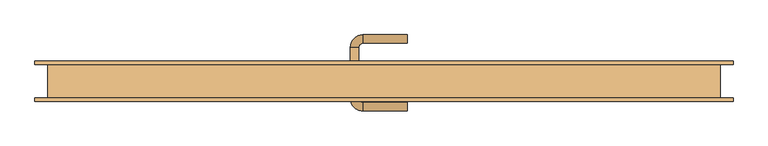
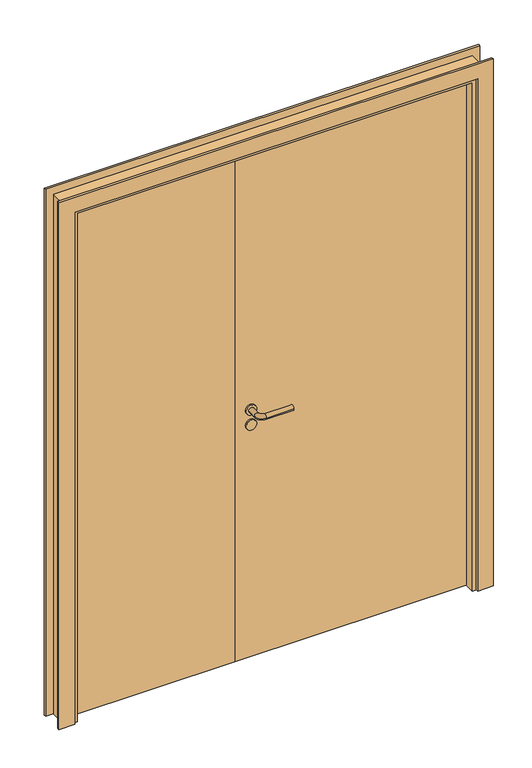
"""IFC4 building model written with IfcOpenShell, lengths in millimetres: door geometry."""

from ifc_helpers import new_model, si_unit, point, frame, frame_2d, origin, origin_with_axes, place, context, project, spatial, polyline, circle_curve, ellipse_curve, trimmed, segment, composite_curve, outline, extrude, faceted_brep, source, transform, mapped, element, save
from ifc_brep_helpers import plane_surface, cylinder_surface, revolved_surface, advanced_brep


def door_9487849b(model_context):
    return source(origin(), model_context, "Body", "SolidModel", [
        advanced_brep(
        [(-90.0, -6.5831809, 1000.0), (-50.0, -6.5831809, 1000.0), (-80.0, -6.5831809, 1000.0), (-60.0, -6.5831809, 1000.0), (-90.0, 0.0, 1000.0), (-50.0, 0.0, 1000.0), (55.0, -70.6350833, 1000.0), (55.0, -50.6350833, 1000.0), (-80.0, -40.6350833, 1000.0), (-60.0, -40.6350833, 1000.0), (-50.0, -70.6350833, 1000.0), (-50.0, -50.6350833, 1000.0)],
        [
            (0, 1, circle_curve(frame((-70.0, -6.5831809, 1000.0), z_axis=(0.0, -1.0, 0.0), x_axis=(1.0, 0.0, 0.0)), 20.0)),
            (1, 0, circle_curve(frame((-70.0, -6.5831809, 1000.0), z_axis=(0.0, -1.0, 0.0), x_axis=(1.0, 0.0, 0.0)), 20.0)),
            (2, 3, circle_curve(frame((-70.0, -6.5831809, 1000.0), z_axis=(0.0, 1.0, 0.0), x_axis=(1.0, 0.0, 0.0)), 10.0)),
            (3, 2, circle_curve(frame((-70.0, -6.5831809, 1000.0), z_axis=(0.0, 1.0, 0.0), x_axis=(1.0, 0.0, 0.0)), 10.0)),
            (4, 5, circle_curve(frame((-70.0, 0.0, 1000.0), z_axis=(0.0, 1.0, 0.0), x_axis=(1.0, 0.0, 0.0)), 20.0)),
            (5, 4, circle_curve(frame((-70.0, 0.0, 1000.0), z_axis=(0.0, 1.0, 0.0), x_axis=(1.0, 0.0, 0.0)), 20.0)),
            (0, 4),
            (5, 1),
            (6, 7, circle_curve(frame((55.0, -60.6350833, 1000.0), z_axis=(1.0, 0.0, 0.0), x_axis=(0.0, 1.0, 0.0)), 10.0)),
            (7, 6, circle_curve(frame((55.0, -60.6350833, 1000.0), z_axis=(1.0, 0.0, 0.0), x_axis=(0.0, 1.0, 0.0)), 10.0)),
            (8, 9, circle_curve(frame((-70.0, -40.6350833, 1000.0), z_axis=(0.0, 1.0, 0.0), x_axis=(1.0, 0.0, 0.0)), 10.0)),
            (9, 3),
            (2, 8),
            (9, 8, circle_curve(frame((-70.0, -40.6350833, 1000.0), z_axis=(0.0, 1.0, 0.0), x_axis=(1.0, 0.0, 0.0)), 10.0)),
            (8, 10, circle_curve(frame((-50.0, -40.6350833, 1000.0), z_axis=(0.0, 0.0, 1.0), x_axis=(-1.0, 0.0, 0.0)), 30.0)),
            (10, 11, circle_curve(frame((-50.0, -60.6350833, 1000.0), z_axis=(-1.0, 0.0, 0.0), x_axis=(0.0, 1.0, 0.0)), 10.0)),
            (11, 9, circle_curve(frame((-50.0, -40.6350833, 1000.0), z_axis=(0.0, 0.0, -1.0), x_axis=(-1.0, 0.0, 0.0)), 10.0)),
            (11, 10, circle_curve(frame((-50.0, -60.6350833, 1000.0), z_axis=(-1.0, 0.0, 0.0), x_axis=(0.0, 1.0, 0.0)), 10.0)),
            (7, 11),
            (10, 6),
        ],
        [
            plane_surface(frame((-50.0, -6.5831809, 1000.0), z_axis=(0.0, -1.0, 0.0), x_axis=(0.0, 0.0, 1.0))),
            plane_surface(frame((-50.0, 0.0, 1000.0), z_axis=(0.0, 1.0, 0.0), x_axis=(0.0, 0.0, -1.0))),
            cylinder_surface(frame((-70.0, 0.0, 1000.0), z_axis=(0.0, -1.0, 0.0), x_axis=(1.0, 0.0, 0.0)), 20.0),
            plane_surface(frame((55.0, -60.6350833, 1000.0), z_axis=(1.0, 0.0, 0.0), x_axis=(0.0, 0.0, -1.0))),
            cylinder_surface(frame((-70.0, 0.0, 1000.0), z_axis=(0.0, 1.0, 0.0), x_axis=(1.0, 0.0, 0.0)), 10.0),
            revolved_surface(trimmed(ellipse_curve(frame((-70.0, -40.6350833, 1000.0), z_axis=(0.0, 1.0, 0.0), x_axis=(1.0, 0.0, 0.0)), 10.0, 10.0), [point((-80.0, -40.6350833, 1000.0))], [point((-60.0, -40.6350833, 1000.0))], True, "CARTESIAN"), (-50.0, -40.6350833, 1000.0), (0.0, 0.0, 1.0)),
            revolved_surface(trimmed(ellipse_curve(frame((-70.0, -40.6350833, 1000.0), z_axis=(0.0, 1.0, 0.0), x_axis=(1.0, 0.0, 0.0)), 10.0, 10.0), [point((-60.0, -40.6350833, 1000.0))], [point((-80.0, -40.6350833, 1000.0))], True, "CARTESIAN"), (-50.0, -40.6350833, 1000.0), (0.0, 0.0, 1.0)),
            cylinder_surface(frame((-50.0, -60.6350833, 1000.0), z_axis=(-1.0, 0.0, 0.0), x_axis=(0.0, 1.0, 0.0)), 10.0),
        ],
        [
            (0, [[1, 2], [3, 4]]),
            (1, [[5, 6]]),
            (2, [[-1, 7, -6, 8]]),
            (2, [[-2, -8, -5, -7]]),
            (3, [[9, 10]]),
            (4, [[11, 12, -3, 13]]),
            (4, [[14, -13, -4, -12]]),
            (5, [[-11, 15, 16, 17]]),
            (6, [[-14, -17, 18, -15]]),
            (7, [[-10, 19, -16, 20]]),
            (7, [[-9, -20, -18, -19]]),
        ],
    ),
        extrude(outline(composite_curve([segment(trimmed(circle_curve(frame_2d((940.0, -70.0)), 20.0), [point((940.0, -90.0))], [point((940.0, -50.0))], False, "CARTESIAN"), True, "CONTINUOUS"), segment(trimmed(circle_curve(frame_2d((940.0, -70.0)), 20.0), [point((940.0, -50.0))], [point((940.0, -90.0))], False, "CARTESIAN"), True, "CONTINUOUS")], self_intersect=False)), frame((0.0, -6.5831809, 0.0), z_axis=(0.0, 1.0, 0.0), x_axis=(0.0, 0.0, 1.0)), (0.0, 0.0, 1.0), 6.5831809),
        advanced_brep(
        [(-90.0, 46.5831809, 1000.0), (-50.0, 46.5831809, 1000.0), (-80.0, 46.5831809, 1000.0), (-60.0, 46.5831809, 1000.0), (-90.0, 40.0, 1000.0), (-50.0, 40.0, 1000.0), (55.0, 110.6350833, 1000.0), (55.0, 90.6350833, 1000.0), (-80.0, 80.6350833, 1000.0), (-60.0, 80.6350833, 1000.0), (-50.0, 90.6350833, 1000.0), (-50.0, 110.6350833, 1000.0)],
        [
            (0, 1, circle_curve(frame((-70.0, 46.5831809, 1000.0), z_axis=(0.0, 1.0, 0.0), x_axis=(1.0, 0.0, 0.0)), 20.0)),
            (1, 0, circle_curve(frame((-70.0, 46.5831809, 1000.0), z_axis=(0.0, 1.0, 0.0), x_axis=(1.0, 0.0, 0.0)), 20.0)),
            (2, 3, circle_curve(frame((-70.0, 46.5831809, 1000.0), z_axis=(0.0, -1.0, 0.0), x_axis=(1.0, 0.0, 0.0)), 10.0)),
            (3, 2, circle_curve(frame((-70.0, 46.5831809, 1000.0), z_axis=(0.0, -1.0, 0.0), x_axis=(1.0, 0.0, 0.0)), 10.0)),
            (4, 5, circle_curve(frame((-70.0, 40.0, 1000.0), z_axis=(0.0, -1.0, 0.0), x_axis=(1.0, 0.0, 0.0)), 20.0)),
            (5, 4, circle_curve(frame((-70.0, 40.0, 1000.0), z_axis=(0.0, -1.0, 0.0), x_axis=(1.0, 0.0, 0.0)), 20.0)),
            (1, 5),
            (4, 0),
            (6, 7, circle_curve(frame((55.0, 100.6350833, 1000.0), z_axis=(1.0, 0.0, 0.0), x_axis=(0.0, -1.0, 0.0)), 10.0)),
            (7, 6, circle_curve(frame((55.0, 100.6350833, 1000.0), z_axis=(1.0, 0.0, 0.0), x_axis=(0.0, -1.0, 0.0)), 10.0)),
            (8, 2),
            (3, 9),
            (9, 8, circle_curve(frame((-70.0, 80.6350833, 1000.0), z_axis=(0.0, -1.0, 0.0), x_axis=(1.0, 0.0, 0.0)), 10.0)),
            (8, 9, circle_curve(frame((-70.0, 80.6350833, 1000.0), z_axis=(0.0, -1.0, 0.0), x_axis=(1.0, 0.0, 0.0)), 10.0)),
            (9, 10, circle_curve(frame((-50.0, 80.6350833, 1000.0), z_axis=(0.0, 0.0, -1.0), x_axis=(-1.0, 0.0, 0.0)), 10.0)),
            (10, 11, circle_curve(frame((-50.0, 100.6350833, 1000.0), z_axis=(-1.0, 0.0, 0.0), x_axis=(0.0, -1.0, 0.0)), 10.0)),
            (11, 8, circle_curve(frame((-50.0, 80.6350833, 1000.0), z_axis=(0.0, 0.0, 1.0), x_axis=(-1.0, 0.0, 0.0)), 30.0)),
            (11, 10, circle_curve(frame((-50.0, 100.6350833, 1000.0), z_axis=(-1.0, 0.0, 0.0), x_axis=(0.0, -1.0, 0.0)), 10.0)),
            (6, 11),
            (10, 7),
        ],
        [
            plane_surface(frame((-50.0, 46.5831809, 1000.0), z_axis=(0.0, 1.0, 0.0), x_axis=(0.0, 0.0, 1.0))),
            plane_surface(frame((-50.0, 40.0, 1000.0), z_axis=(0.0, -1.0, 0.0), x_axis=(0.0, 0.0, -1.0))),
            cylinder_surface(frame((-70.0, 40.0, 1000.0), z_axis=(0.0, 1.0, 0.0), x_axis=(1.0, 0.0, 0.0)), 20.0),
            plane_surface(frame((55.0, 100.6350833, 1000.0), z_axis=(1.0, 0.0, 0.0), x_axis=(0.0, 0.0, -1.0))),
            cylinder_surface(frame((-70.0, 40.0, 1000.0), z_axis=(0.0, -1.0, 0.0), x_axis=(1.0, 0.0, 0.0)), 10.0),
            revolved_surface(trimmed(ellipse_curve(frame((-70.0, 80.6350833, 1000.0), z_axis=(0.0, 1.0, 0.0), x_axis=(1.0, 0.0, 0.0)), 10.0, 10.0), [point((-80.0, 80.6350833, 1000.0))], [point((-60.0, 80.6350833, 1000.0))], True, "CARTESIAN"), (-50.0, 80.6350833, 1000.0), (0.0, 0.0, 1.0)),
            revolved_surface(trimmed(ellipse_curve(frame((-70.0, 80.6350833, 1000.0), z_axis=(0.0, 1.0, 0.0), x_axis=(1.0, 0.0, 0.0)), 10.0, 10.0), [point((-60.0, 80.6350833, 1000.0))], [point((-80.0, 80.6350833, 1000.0))], True, "CARTESIAN"), (-50.0, 80.6350833, 1000.0), (0.0, 0.0, 1.0)),
            cylinder_surface(frame((-50.0, 100.6350833, 1000.0), z_axis=(-1.0, 0.0, 0.0), x_axis=(0.0, -1.0, 0.0)), 10.0),
        ],
        [
            (0, [[1, 2], [3, 4]]),
            (1, [[5, 6]]),
            (2, [[7, -5, 8, -2]]),
            (2, [[-8, -6, -7, -1]]),
            (3, [[9, 10]]),
            (4, [[11, -4, 12, 13]]),
            (4, [[-12, -3, -11, 14]]),
            (5, [[15, 16, 17, -13]]),
            (6, [[-17, 18, -15, -14]]),
            (7, [[19, -16, 20, -9]]),
            (7, [[-20, -18, -19, -10]]),
        ],
    ),
        extrude(outline(composite_curve([segment(trimmed(circle_curve(frame_2d((940.0, -70.0)), 20.0), [point((940.0, -90.0))], [point((940.0, -50.0))], False, "CARTESIAN"), True, "CONTINUOUS"), segment(trimmed(circle_curve(frame_2d((940.0, -70.0)), 20.0), [point((940.0, -50.0))], [point((940.0, -90.0))], False, "CARTESIAN"), True, "CONTINUOUS")], self_intersect=False)), frame((0.0, 40.0, 0.0), z_axis=(0.0, 1.0, 0.0), x_axis=(0.0, 0.0, 1.0)), (0.0, 0.0, 1.0), 6.5831809),
        extrude(outline(polyline([(-770.0, 20.0), (-130.0, 20.0), (-130.0, 0.0), (-770.0, 0.0), (-770.0, 20.0)])), origin_with_axes(), (0.0, 0.0, 1.0), 2070.0),
        extrude(outline(polyline([(-130.0, 20.0), (-770.0, 20.0), (-770.0, 40.0), (-130.0, 40.0), (-130.0, 20.0)])), origin_with_axes(), (0.0, 0.0, 1.0), 2070.0),
        extrude(outline(polyline([(-130.0, 20.0), (770.0, 20.0), (770.0, 0.0), (-130.0, 0.0), (-130.0, 20.0)])), origin_with_axes(), (0.0, 0.0, 1.0), 2070.0),
        extrude(outline(polyline([(770.0, 20.0), (-130.0, 20.0), (-130.0, 40.0), (770.0, 40.0), (770.0, 20.0)])), origin_with_axes(), (0.0, 0.0, 1.0), 2070.0),
        extrude(outline(polyline([(0.0, -830.0), (0.0, -770.0), (2070.0, -770.0), (2070.0, 770.0), (0.0, 770.0), (0.0, 830.0), (2130.0, 830.0), (2130.0, -830.0), (0.0, -830.0)])), frame((0.0, -48.0, 0.0), z_axis=(0.0, 1.0, 0.0), x_axis=(0.0, 0.0, 1.0)), (0.0, 0.0, 1.0), 8.0),
        extrude(outline(polyline([(0.0, -770.0), (2070.0, -770.0), (2070.0, 770.0), (0.0, 770.0), (0.0, 830.0), (2130.0, 830.0), (2130.0, -830.0), (0.0, -830.0), (0.0, -770.0)])), frame((0.0, 40.0, 0.0), z_axis=(0.0, 1.0, 0.0), x_axis=(0.0, 0.0, 1.0)), (0.0, 0.0, 1.0), 8.0),
        faceted_brep([(-770.0, 0.0, 0.0), (-755.0, 0.0, 0.0), (-755.0, -40.0, 0.0), (-800.0, -40.0, 0.0), (-800.0, 40.0, 0.0), (-770.0, 40.0, 0.0), (-770.0, 0.0, 2070.0), (770.0, 0.0, 2070.0), (770.0, 0.0, 0.0), (755.0, 0.0, 0.0), (755.0, 0.0, 2055.0), (-755.0, 0.0, 2055.0), (-755.0, -40.0, 2055.0), (755.0, -40.0, 2055.0), (755.0, -40.0, 0.0), (800.0, -40.0, 0.0), (800.0, -40.0, 2100.0), (-800.0, -40.0, 2100.0), (-800.0, 40.0, 2100.0), (800.0, 40.0, 2100.0), (800.0, 40.0, 0.0), (770.0, 40.0, 0.0), (770.0, 40.0, 2070.0), (-770.0, 40.0, 2070.0)], [[[0, 1, 2, 3, 4, 5]], [[1, 0, 6, 7, 8, 9, 10, 11]], [[2, 1, 11, 12]], [[3, 2, 12, 13, 14, 15, 16, 17]], [[4, 3, 17, 18]], [[5, 4, 18, 19, 20, 21, 22, 23]], [[0, 5, 23, 6]], [[7, 22, 21, 8]], [[8, 21, 20, 15, 14, 9]], [[13, 10, 9, 14]], [[19, 16, 15, 20]], [[12, 11, 10, 13]], [[18, 17, 16, 19]], [[6, 23, 22, 7]]]),
    ])


if __name__ == "__main__":
    model = new_model("IFC4")
    model_context = context("Model", 3, world=origin())
    ifc_project = project(units=[si_unit("LENGTHUNIT", "METRE", prefix="MILLI")], contexts=[model_context])
    site = spatial("IfcSite", under=ifc_project)
    building = spatial("IfcBuilding", under=site)
    placement = place(None, origin())
    door_shape = door_9487849b(model_context)
    element("IfcDoor", 1, at=placement, inside=building, context=model_context, shape_type="MappedRepresentation", body=[
        mapped(door_shape, transform((0.0, 0.0, 0.0), x_axis=(1.0, 0.0, 0.0), y_axis=(0.0, 1.0, 0.0), z_axis=(0.0, 0.0, 1.0))),
    ])
    save(model, "model.ifc")
